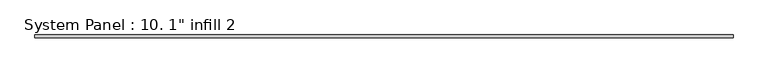
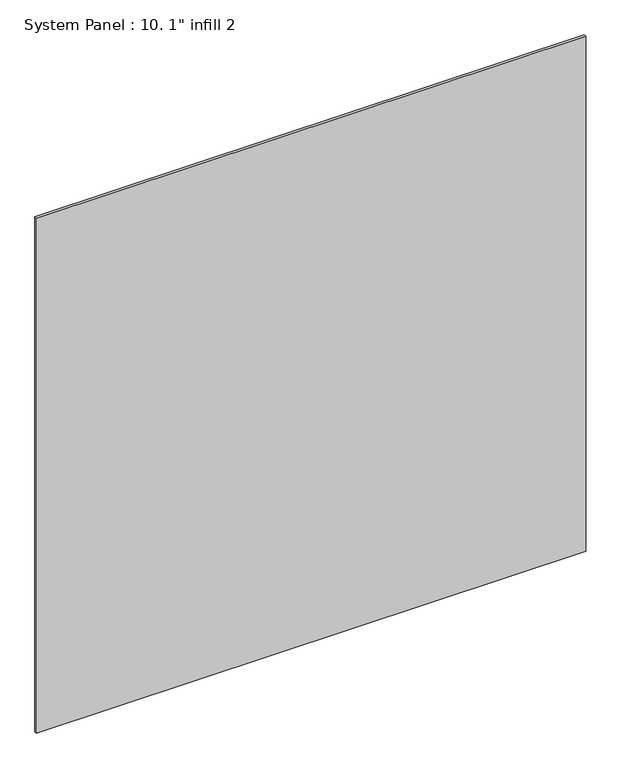
"""IFC4 building model written with IfcOpenShell, lengths in millimetres: plate geometry."""

from ifc_helpers import new_model, si_unit, origin, origin_with_axes, place, context, project, spatial, polyline, outline, extrude, source, transform, mapped, element, save


def plate_49c1c69f(model_context):
    return source(origin(), model_context, "Body", "SweptSolid", [
        extrude(outline(polyline([(3016.25, -12.0054687), (-3016.25, -12.0054687), (-3016.25, 13.3945312), (3016.25, 13.3945312), (3016.25, -12.0054687)])), origin_with_axes(), (0.0, 0.0, 1.0), 5978.1942692),
    ])


if __name__ == "__main__":
    model = new_model("IFC4")
    model_context = context("Model", 3, world=origin())
    ifc_project = project(units=[si_unit("LENGTHUNIT", "METRE", prefix="MILLI")], contexts=[model_context])
    site = spatial("IfcSite", under=ifc_project)
    building = spatial("IfcBuilding", under=site)
    placement = place(None, origin())
    plate_shape = plate_49c1c69f(model_context)
    element("IfcPlate", 1, ObjectType="System Panel : 10. 1\" infill 2", at=placement, inside=building, context=model_context, shape_type="MappedRepresentation", body=[
        mapped(plate_shape, transform((0.0, 0.0, 0.0), x_axis=(1.0, 0.0, 0.0), y_axis=(0.0, 1.0, 0.0), z_axis=(0.0, 0.0, 1.0))),
    ])
    save(model, "model.ifc")
